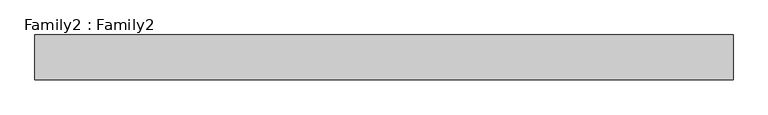
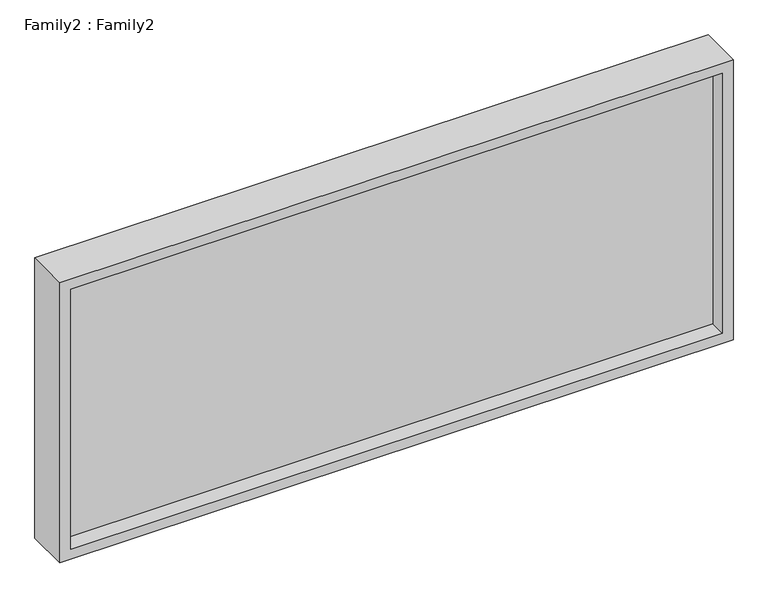
"""IFC4 building model written with IfcOpenShell, lengths in millimetres: plate geometry, Family2 : Family2."""

from ifc_helpers import new_model, si_unit, frame, origin, place, context, project, spatial, polyline, outline, extrude, source, transform, mapped, element, save


def family2_family2_96820174(model_context):
    return source(origin(), model_context, "Body", "SweptSolid", [
        extrude(outline(polyline([(550.0, -625.0), (0.0, -625.0), (0.0, 625.0), (550.0, 625.0), (550.0, -625.0)]), holes=[polyline([(20.0, -605.0), (530.0, -605.0), (530.0, 605.0), (20.0, 605.0), (20.0, -605.0)])]), frame((0.0, -40.0, 0.0), z_axis=(0.0, 1.0, 0.0), x_axis=(0.0, 0.0, 1.0)), (0.0, 0.0, 1.0), 80.0),
        extrude(outline(polyline([(605.0, -10.0), (-605.0, -10.0), (-605.0, 10.0), (605.0, 10.0), (605.0, -10.0)])), frame((0.0, 0.0, 20.0), z_axis=(0.0, 0.0, 1.0), x_axis=(1.0, 0.0, 0.0)), (0.0, 0.0, 1.0), 510.0),
    ])


if __name__ == "__main__":
    model = new_model("IFC4")
    model_context = context("Model", 3, world=origin())
    ifc_project = project(units=[si_unit("LENGTHUNIT", "METRE", prefix="MILLI")], contexts=[model_context])
    site = spatial("IfcSite", under=ifc_project)
    building = spatial("IfcBuilding", under=site)
    placement = place(None, origin())
    family2_family2_shape = family2_family2_96820174(model_context)
    element("IfcPlate", 1, ObjectType="Family2 : Family2", at=placement, inside=building, context=model_context, shape_type="MappedRepresentation", body=[
        mapped(family2_family2_shape, transform((0.0, 0.0, 0.0), x_axis=(1.0, 0.0, 0.0), y_axis=(0.0, 1.0, 0.0), z_axis=(0.0, 0.0, 1.0))),
    ])
    save(model, "model.ifc")
